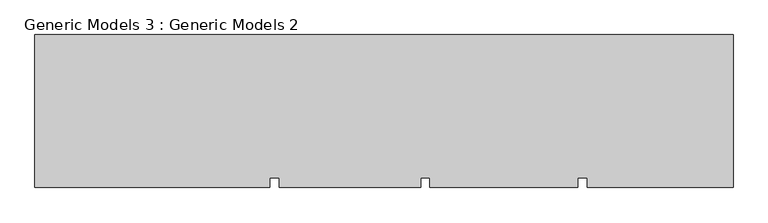
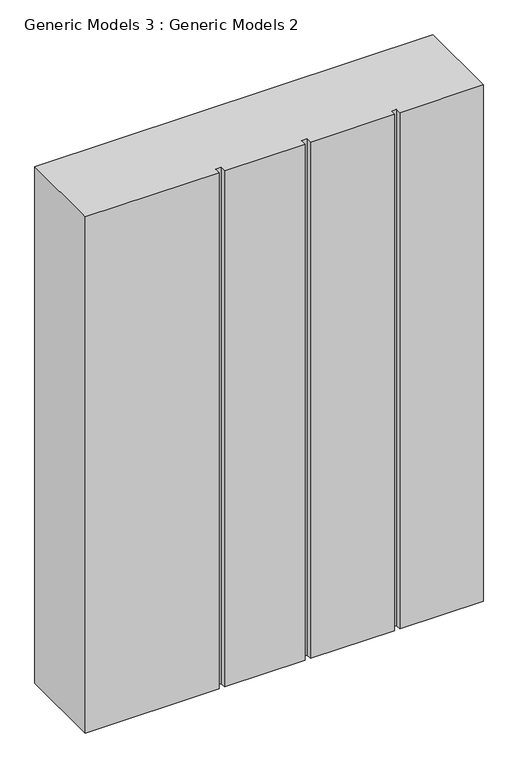
"""IFC4 building model written with IfcOpenShell, lengths in millimetres: proxy geometry, Generic Models 3 : Generic Models 2."""

from ifc_helpers import new_model, si_unit, frame, origin, place, context, project, spatial, polyline, outline, extrude, source, transform, mapped, element, save


def generic_models_3_generic_models_2_ecae7314(model_context):
    return source(origin(), model_context, "Body", "SweptSolid", [
        extrude(outline(polyline([(2231.7164352, -19881.5060032), (2231.7164352, -20368.5482183), (1767.3070227, -20368.5482183), (1767.3070227, -20336.9057177), (1737.2735899, -20336.9057177), (1737.2735899, -20368.5482183), (1267.3070227, -20368.5482183), (1267.3070227, -20336.9057177), (1237.2735899, -20336.9057177), (1237.2735899, -20368.5482183), (787.3070227, -20368.5482183), (787.3070227, -20336.9057177), (757.2735899, -20336.9057177), (757.2735899, -20368.5482183), (10.2901007, -20368.5482183), (10.2901007, -19881.5060032), (2231.7164352, -19881.5060032)])), frame((0.0, 0.0, 3000.0), z_axis=(0.0, 0.0, 1.0), x_axis=(1.0, 0.0, 0.0)), (0.0, 0.0, 1.0), 3044.7067261),
    ])


if __name__ == "__main__":
    model = new_model("IFC4")
    model_context = context("Model", 3, world=origin())
    ifc_project = project(units=[si_unit("LENGTHUNIT", "METRE", prefix="MILLI")], contexts=[model_context])
    site = spatial("IfcSite", under=ifc_project)
    building = spatial("IfcBuilding", under=site)
    placement = place(None, origin())
    generic_models_3_generic_models_2_shape = generic_models_3_generic_models_2_ecae7314(model_context)
    element("IfcBuildingElementProxy", 1, Name="Generic Models 3 : Generic Models 2", ObjectType="Generic Models 3 : Generic Models 2", at=placement, inside=building, context=model_context, shape_type="MappedRepresentation", body=[
        mapped(generic_models_3_generic_models_2_shape, transform((0.0, 0.0, 0.0), x_axis=(1.0, 0.0, 0.0), y_axis=(0.0, 1.0, 0.0), z_axis=(0.0, 0.0, 1.0))),
    ])
    save(model, "model.ifc")
